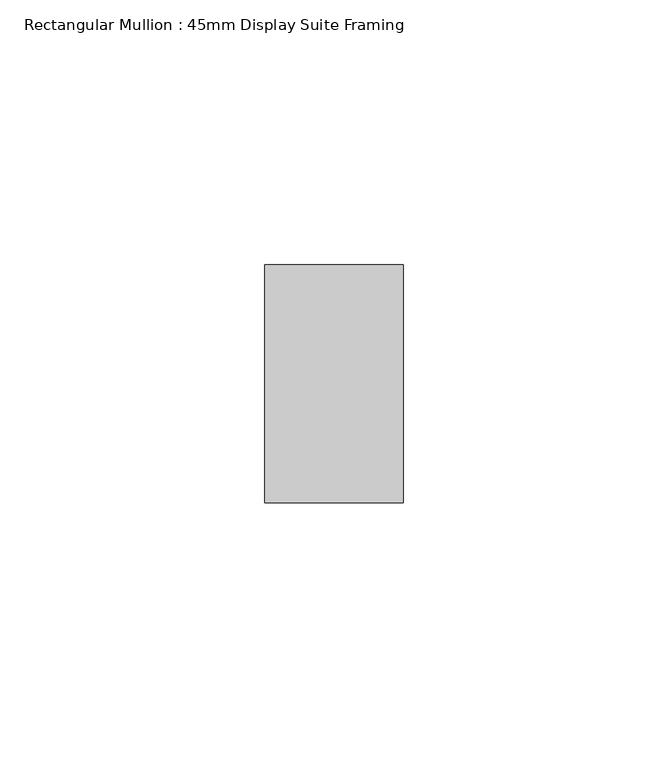
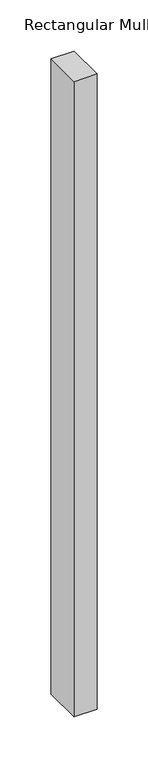
"""IFC4 building model written with IfcOpenShell, lengths in millimetres: member geometry, Rectangular Mullion : 45mm Display Suite Framing."""

from ifc_helpers import new_model, si_unit, frame, origin, place, context, project, spatial, polyline, outline, extrude, source, transform, mapped, element, save


def rectangular_mullion_45mm_display_suite_framing_055b253f(model_context):
    return source(origin(), model_context, "Body", "SweptSolid", [
        extrude(outline(polyline([(0.0, 22.5), (0.0, -22.5), (-26.2, -22.5), (-26.2, 22.5), (0.0, 22.5)])), frame((0.0, 0.0, -760.0), z_axis=(0.0, 0.0, 1.0), x_axis=(1.0, 0.0, 0.0)), (0.0, 0.0, 1.0), 760.0),
    ])


if __name__ == "__main__":
    model = new_model("IFC4")
    model_context = context("Model", 3, world=origin())
    ifc_project = project(units=[si_unit("LENGTHUNIT", "METRE", prefix="MILLI")], contexts=[model_context])
    site = spatial("IfcSite", under=ifc_project)
    building = spatial("IfcBuilding", under=site)
    placement = place(None, origin())
    rectangular_mullion_45mm_display_suite_framing_shape = rectangular_mullion_45mm_display_suite_framing_055b253f(model_context)
    element("IfcMember", 1, ObjectType="Rectangular Mullion : 45mm Display Suite Framing", at=placement, inside=building, context=model_context, shape_type="MappedRepresentation", body=[
        mapped(rectangular_mullion_45mm_display_suite_framing_shape, transform((0.0, 0.0, 0.0), x_axis=(1.0, 0.0, 0.0), y_axis=(0.0, 1.0, 0.0), z_axis=(0.0, 0.0, 1.0))),
    ])
    save(model, "model.ifc")
